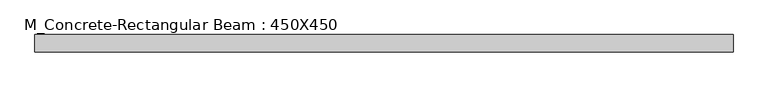
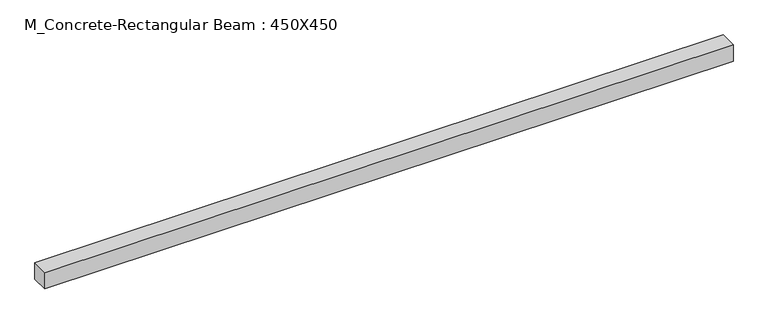
"""IFC4 building model written with IfcOpenShell, lengths in millimetres: beam geometry, M_Concrete-Rectangular Beam : 450X450."""

from ifc_helpers import new_model, si_unit, frame, origin, place, context, project, spatial, polyline, outline, extrude, source, transform, mapped, element, save


def m_concrete_rectangular_beam_450x450_8a16c8bc(model_context):
    return source(origin(), model_context, "Body", "SweptSolid", [
        extrude(outline(polyline([(9000.0, 225.0), (9000.0, -225.0), (-9000.0, -225.0), (-9000.0, 225.0), (9000.0, 225.0)])), frame((0.0, 0.0, -225.0), z_axis=(0.0, 0.0, 1.0), x_axis=(1.0, 0.0, 0.0)), (0.0, 0.0, 1.0), 450.0),
    ])


if __name__ == "__main__":
    model = new_model("IFC4")
    model_context = context("Model", 3, world=origin())
    ifc_project = project(units=[si_unit("LENGTHUNIT", "METRE", prefix="MILLI")], contexts=[model_context])
    site = spatial("IfcSite", under=ifc_project)
    building = spatial("IfcBuilding", under=site)
    placement = place(None, origin())
    m_concrete_rectangular_beam_450x450_shape = m_concrete_rectangular_beam_450x450_8a16c8bc(model_context)
    element("IfcBeam", 1, ObjectType="M_Concrete-Rectangular Beam : 450X450", at=placement, inside=building, context=model_context, shape_type="MappedRepresentation", body=[
        mapped(m_concrete_rectangular_beam_450x450_shape, transform((0.0, 0.0, 0.0), x_axis=(1.0, 0.0, 0.0), y_axis=(0.0, 1.0, 0.0), z_axis=(0.0, 0.0, 1.0))),
    ])
    save(model, "model.ifc")
